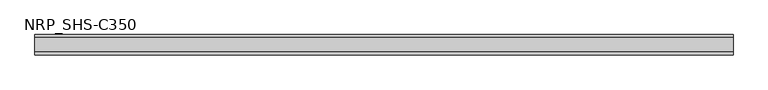
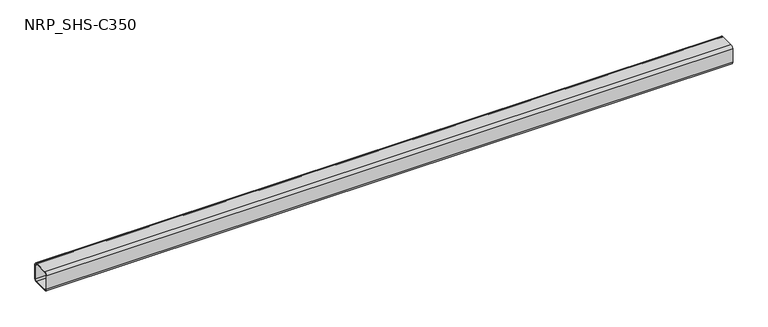
"""IFC4 building model written with IfcOpenShell, lengths in millimetres: member geometry, NRP_SHS-C350."""

import ifcopenshell
import ifcopenshell.guid

model = None  # the IFC model being written
_history = None  # IfcOwnerHistory: only IFC2X3 demands one
_inside = {}  # id of a spatial element -> (the spatial element, [elements in it])
_under = {}  # id of a project, library or spatial element -> (it, [spatial elements below it])
_declared = {}  # id of a project -> (the project, [libraries it declares])
_typed = {}  # id of a type object -> (the type object, [elements of that type])
_made_of = {}  # id of a material, layer set ... -> (it, [elements and type objects made of it])


def new_model(schema):
    """Start an empty IFC model of exactly this schema.

    Asked for "IFC4X3", IfcOpenShell would pick the latest addendum, in which some entities
    have other attributes; the version numbers below select the first issue.
    IFC2X3 requires an IfcOwnerHistory on every rooted entity: one is made here for all.
    """
    global model, _history
    if schema == "IFC4X3":
        model = ifcopenshell.file(schema_version=(4, 3, 0, 0))
    else:
        model = ifcopenshell.file(schema=schema)
    _inside.clear()
    _under.clear()
    _declared.clear()
    _typed.clear()
    _made_of.clear()
    _history = None
    if model.schema == "IFC2X3":
        org = make("IfcOrganization", Name="unknown")
        user = make(
            "IfcPersonAndOrganization",
            ThePerson=make("IfcPerson", FamilyName="unknown"),
            TheOrganization=org,
        )
        app = make(
            "IfcApplication",
            ApplicationDeveloper=org,
            Version="unknown",
            ApplicationFullName="unknown",
            ApplicationIdentifier="unknown",
        )
        _history = make(
            "IfcOwnerHistory",
            OwningUser=user,
            OwningApplication=app,
            ChangeAction="ADDED",
            CreationDate=0,
        )
    return model


def make(cls, **values):
    """One entity of the class cls with the attributes given. An attribute that is None is left unset."""
    return model.create_entity(
        cls, **{name: value for name, value in values.items() if value is not None}
    )


def rooted(cls, **values):
    """An entity with a GlobalId (a new one), such as an element, a storey or a relation."""
    return make(cls, GlobalId=ifcopenshell.guid.new(), OwnerHistory=_history, **values)


def si_unit(unit_type, name, prefix=None):
    """IfcSIUnit, for example si_unit("LENGTHUNIT", "METRE", prefix="MILLI")."""
    return make("IfcSIUnit", UnitType=unit_type, Prefix=prefix, Name=name)


def assignment(units):
    """IfcUnitAssignment: the units of a project."""
    return None if units is None else make("IfcUnitAssignment", Units=units)


def point(xyz):
    """IfcCartesianPoint."""
    return None if xyz is None else make("IfcCartesianPoint", Coordinates=xyz)


def direction(xyz):
    """IfcDirection."""
    return None if xyz is None else make("IfcDirection", DirectionRatios=xyz)


def frame(location, z_axis=None, x_axis=None):
    """IfcAxis2Placement3D, a coordinate frame: its origin and axes. An axis left out is left unset."""
    return make(
        "IfcAxis2Placement3D",
        Location=point(location),
        Axis=direction(z_axis),
        RefDirection=direction(x_axis),
    )


def frame_2d(location, x_axis=None):
    """IfcAxis2Placement2D, a coordinate frame in the plane: its origin and x axis."""
    return make(
        "IfcAxis2Placement2D", Location=point(location), RefDirection=direction(x_axis)
    )


def origin():
    """The frame at (0, 0, 0) with its axes left unset."""
    return frame((0.0, 0.0, 0.0))


def place(relative_to, where):
    """IfcLocalPlacement: puts the frame where relative to a parent placement (None: the world)."""
    return make(
        "IfcLocalPlacement", PlacementRelTo=relative_to, RelativePlacement=where
    )


def context(
    kind, dimensions, precision=None, world=None, true_north=None, identifier=None
):
    """IfcGeometricRepresentationContext, for example the 3D "Model" context."""
    return make(
        "IfcGeometricRepresentationContext",
        ContextIdentifier=identifier,
        ContextType=kind,
        CoordinateSpaceDimension=dimensions,
        Precision=precision,
        WorldCoordinateSystem=world,
        TrueNorth=true_north,
    )


def project(units=None, contexts=None):
    """IfcProject with its units and contexts."""
    return rooted(
        "IfcProject",
        Name="project",
        RepresentationContexts=contexts,
        UnitsInContext=assignment(units),
    )


def spatial(cls, under=None, at=None, **own):
    """A site, building, storey or space (cls), placed at a placement, below another one or the project."""
    s = rooted(cls, ObjectPlacement=at, **own)
    if under is not None:
        _under.setdefault(under.id(), (under, []))[1].append(s)
    return s


def polyline(points):
    """IfcPolyline through the points."""
    return make("IfcPolyline", Points=[point(p) for p in points])


def circle_curve(where, radius):
    """IfcCircle in the frame where."""
    return make("IfcCircle", Position=where, Radius=radius)


def trimmed(basis, trim1, trim2, sense, master):
    """IfcTrimmedCurve: the piece of a basis curve between two trims."""
    return make(
        "IfcTrimmedCurve",
        BasisCurve=basis,
        Trim1=trim1,
        Trim2=trim2,
        SenseAgreement=sense,
        MasterRepresentation=master,
    )


def segment(curve, same_sense, transition):
    """IfcCompositeCurveSegment."""
    return make(
        "IfcCompositeCurveSegment",
        Transition=transition,
        SameSense=same_sense,
        ParentCurve=curve,
    )


def composite_curve(segments, self_intersect=None):
    """IfcCompositeCurve: segments joined end to end."""
    return make("IfcCompositeCurve", Segments=segments, SelfIntersect=self_intersect)


def outline(outer, holes=None, kind="AREA"):
    """IfcArbitraryClosedProfileDef: a profile drawn as a closed curve; with holes, ...WithVoids."""
    if holes is None:
        return make("IfcArbitraryClosedProfileDef", ProfileType=kind, OuterCurve=outer)
    return make(
        "IfcArbitraryProfileDefWithVoids",
        ProfileType=kind,
        OuterCurve=outer,
        InnerCurves=holes,
    )


def extrude(swept, where, along, depth):
    """IfcExtrudedAreaSolid: the profile swept, set in the frame where, extruded along a direction by depth."""
    return make(
        "IfcExtrudedAreaSolid",
        SweptArea=swept,
        Position=where,
        ExtrudedDirection=direction(along),
        Depth=depth,
    )


def shape(context_of_items, identifier, shape_type, items):
    """IfcShapeRepresentation: the items that make up one representation, for example the "Body"."""
    return make(
        "IfcShapeRepresentation",
        ContextOfItems=context_of_items,
        RepresentationIdentifier=identifier,
        RepresentationType=shape_type,
        Items=items,
    )


def source(mapping_origin, context_of_items, identifier, shape_type, items):
    """IfcRepresentationMap: a shape defined once, which mapped items show again and again."""
    return make(
        "IfcRepresentationMap",
        MappingOrigin=mapping_origin,
        MappedRepresentation=shape(context_of_items, identifier, shape_type, items),
    )


def transform(
    local_origin,
    x_axis=None,
    y_axis=None,
    z_axis=None,
    scale=None,
    scale2=None,
    scale3=None,
    uniform=True,
):
    """IfcCartesianTransformationOperator3D, or its non-uniform kind. x_axis, y_axis, z_axis: its Axis1, 2, 3."""
    if uniform:
        return make(
            "IfcCartesianTransformationOperator3D",
            Axis1=direction(x_axis),
            Axis2=direction(y_axis),
            LocalOrigin=point(local_origin),
            Scale=scale,
            Axis3=direction(z_axis),
        )
    return make(
        "IfcCartesianTransformationOperator3DnonUniform",
        Axis1=direction(x_axis),
        Axis2=direction(y_axis),
        LocalOrigin=point(local_origin),
        Scale=scale,
        Axis3=direction(z_axis),
        Scale2=scale2,
        Scale3=scale3,
    )


def mapped(mapping_source, mapping_target):
    """IfcMappedItem: shows the shape of a source again, moved by a transform."""
    return make(
        "IfcMappedItem", MappingSource=mapping_source, MappingTarget=mapping_target
    )


def made_of(thing, what):
    """Note that an element or type object is made of a material, layer set ...; save() writes the relation."""
    if what is not None:
        _made_of.setdefault(what.id(), (what, []))[1].append(thing)
    return thing


def element(
    cls,
    number,
    at=None,
    inside=None,
    cuts=None,
    type_object=None,
    material=None,
    context=None,
    identifier="Body",
    shape_type=None,
    held_by="IfcProductDefinitionShape",
    body=None,
    shapes=None,
    **own,
):
    """One element of the class cls, such as IfcWall. Its Tag is "e" and its number.

    at: its placement. inside: the storey or other place that contains it. cuts: it is an
    opening in that element (IfcRelVoidsElement). A single representation is given by context,
    identifier, shape_type and body (its items); several are given by shapes. held_by: the class
    of the entity that holds the representations. save() writes the other relations.
    """
    e = rooted(cls, Tag="e%d" % number, ObjectPlacement=at, **own)
    if body is not None:
        shapes = [shape(context, identifier, shape_type, body)]
    if shapes is not None:
        e.Representation = make(held_by, Representations=shapes)
    if inside is not None:
        _inside.setdefault(inside.id(), (inside, []))[1].append(e)
    if cuts is not None:
        rooted(
            "IfcRelVoidsElement", RelatingBuildingElement=cuts, RelatedOpeningElement=e
        )
    if type_object is not None:
        _typed.setdefault(type_object.id(), (type_object, []))[1].append(e)
    return made_of(e, material)


def aggregate(whole, parts):
    """IfcRelAggregates: a whole, such as a stair, and the parts it consists of."""
    return rooted("IfcRelAggregates", RelatingObject=whole, RelatedObjects=parts)


def save(model, path):
    """Write the relations noted so far, then the file.

    IfcRelAggregates (storeys below a building ...), IfcRelContainedInSpatialStructure (elements
    in a storey), IfcRelDefinesByType, IfcRelAssociatesMaterial and IfcRelDeclares: one each for
    every whole, place, type object, material and project.
    """
    for whole, parts in _under.values():
        aggregate(whole, parts)
    for where, things in _inside.values():
        rooted(
            "IfcRelContainedInSpatialStructure",
            RelatedElements=things,
            RelatingStructure=where,
        )
    for kind, things in _typed.values():
        rooted("IfcRelDefinesByType", RelatedObjects=things, RelatingType=kind)
    for what, things in _made_of.values():
        rooted("IfcRelAssociatesMaterial", RelatedObjects=things, RelatingMaterial=what)
    for by, libraries in _declared.values():
        rooted("IfcRelDeclares", RelatingContext=by, RelatedDefinitions=libraries)
    model.write(path)


def nrp_shs_c350_b45b012f(model_context):
    return source(origin(), model_context, "Body", "SweptSolid", [
        extrude(outline(composite_curve([segment(trimmed(circle_curve(frame_2d((-32.0, 32.0)), 12.5), [point((-44.5, 32.0))], [point((-32.0, 44.5))], False, "CARTESIAN"), True, "CONTINUOUS"), segment(polyline([(-32.0, 44.5), (32.0, 44.5)]), True, "CONTINUOUS"), segment(trimmed(circle_curve(frame_2d((32.0, 32.0)), 12.5), [point((32.0, 44.5))], [point((44.5, 32.0))], False, "CARTESIAN"), True, "CONTINUOUS"), segment(polyline([(44.5, 32.0), (44.5, -32.0)]), True, "CONTINUOUS"), segment(trimmed(circle_curve(frame_2d((32.0, -32.0)), 12.5), [point((44.5, -32.0))], [point((32.0, -44.5))], False, "CARTESIAN"), True, "CONTINUOUS"), segment(polyline([(32.0, -44.5), (-32.0, -44.5)]), True, "CONTINUOUS"), segment(trimmed(circle_curve(frame_2d((-32.0, -32.0)), 12.5), [point((-32.0, -44.5))], [point((-44.5, -32.0))], False, "CARTESIAN"), True, "CONTINUOUS"), segment(polyline([(-44.5, -32.0), (-44.5, 32.0)]), True, "CONTINUOUS")], self_intersect=False), holes=[composite_curve([segment(polyline([(32.0, 39.5), (-32.0, 39.5)]), True, "CONTINUOUS"), segment(trimmed(circle_curve(frame_2d((-32.0, 32.0)), 7.5), [point((-32.0, 39.5))], [point((-39.5, 32.0))], True, "CARTESIAN"), True, "CONTINUOUS"), segment(polyline([(-39.5, 32.0), (-39.5, -32.0)]), True, "CONTINUOUS"), segment(trimmed(circle_curve(frame_2d((-32.0, -32.0)), 7.5), [point((-39.5, -32.0))], [point((-32.0, -39.5))], True, "CARTESIAN"), True, "CONTINUOUS"), segment(polyline([(-32.0, -39.5), (32.0, -39.5)]), True, "CONTINUOUS"), segment(trimmed(circle_curve(frame_2d((32.0, -32.0)), 7.5), [point((32.0, -39.5))], [point((39.5, -32.0))], True, "CARTESIAN"), True, "CONTINUOUS"), segment(polyline([(39.5, -32.0), (39.5, 32.0)]), True, "CONTINUOUS"), segment(trimmed(circle_curve(frame_2d((32.0, 32.0)), 7.5), [point((39.5, 32.0))], [point((32.0, 39.5))], True, "CARTESIAN"), True, "CONTINUOUS")], self_intersect=False)]), frame((-1539.5, 0.0, 0.0), z_axis=(1.0, 0.0, 0.0), x_axis=(0.0, 1.0, 0.0)), (0.0, 0.0, 1.0), 3077.0),
    ])


if __name__ == "__main__":
    model = new_model("IFC4")
    model_context = context("Model", 3, world=origin())
    ifc_project = project(units=[si_unit("LENGTHUNIT", "METRE", prefix="MILLI")], contexts=[model_context])
    site = spatial("IfcSite", under=ifc_project)
    building = spatial("IfcBuilding", under=site)
    placement = place(None, origin())
    nrp_shs_c350_shape = nrp_shs_c350_b45b012f(model_context)
    element("IfcMember", 1, ObjectType="NRP_SHS-C350", at=placement, inside=building, context=model_context, shape_type="MappedRepresentation", body=[
        mapped(nrp_shs_c350_shape, transform((0.0, 0.0, 0.0), x_axis=(1.0, 0.0, 0.0), y_axis=(0.0, 1.0, 0.0), z_axis=(0.0, 0.0, 1.0))),
    ])
    save(model, "model.ifc")
